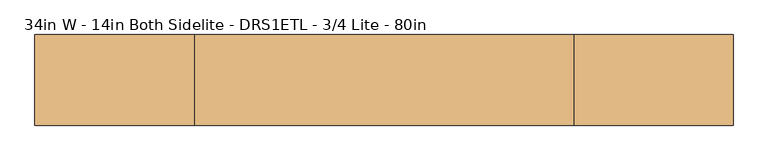
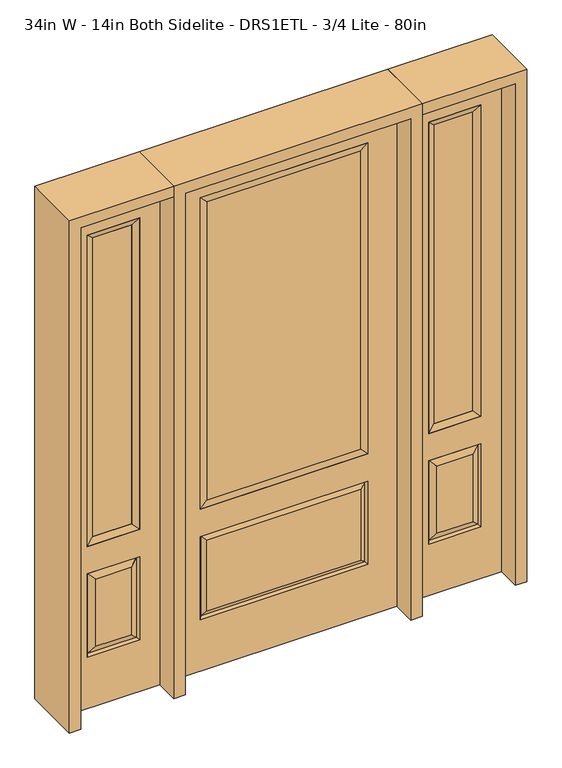
"""IFC4 building model written with IfcOpenShell, lengths in millimetres: door geometry, 34in W - 14in Both Sidelite - DRS1ETL - 3/4 Lite - 80in."""

from ifc_helpers import new_model, si_unit, frame, origin, place, context, project, spatial, polyline, outline, extrude, faceted_brep, source, transform, mapped, element, save


def door_34in_w_14in_both_sidelite_drs1etl_3_4_lite_80in_e0d79a2d(model_context):
    return source(origin(), model_context, "Body", "SolidModel", [
        faceted_brep([(476.25, -22.225, 0.0), (831.85, -22.225, 0.0), (831.85, -22.225, 2032.0), (476.25, -22.225, 2032.0), (754.38, -22.225, 1919.224), (754.38, -22.225, 657.098), (553.72, -22.225, 657.098), (553.72, -22.225, 1919.224), (754.38, -22.225, 209.55), (553.72, -22.225, 209.55), (553.72, -22.225, 546.1), (754.38, -22.225, 546.1), (585.4351001, -22.225, 241.2651001), (722.6648999, -22.225, 241.2651001), (722.6648999, -22.225, 514.3848999), (585.4351001, -22.225, 514.3848999), (476.25, 22.225, 0.0), (476.25, 22.225, 2032.0), (831.85, 22.225, 2032.0), (831.85, 22.225, 0.0), (754.38, 22.225, 1919.224), (553.72, 22.225, 1919.224), (553.72, 22.225, 657.098), (754.38, 22.225, 657.098), (553.72, 22.225, 209.55), (754.38, 22.225, 209.55), (754.38, 22.225, 546.1), (553.72, 22.225, 546.1), (722.6648999, 22.225, 241.2651001), (585.4351001, 22.225, 241.2651001), (585.4351001, 22.225, 514.3848999), (722.6648999, 22.225, 514.3848999), (747.2711499, 12.7912373, 216.6588501), (560.8288501, 12.7912373, 216.6588501), (560.8288501, 12.7912373, 538.9911499), (747.2711499, 12.7912373, 538.9911499), (560.8288501, -12.7912373, 216.6588501), (747.2711499, -12.7912373, 216.6588501), (560.8288501, -12.7912373, 538.9911499), (747.2711499, -12.7912373, 538.9911499)], [[[0, 1, 2, 3], [4, 5, 6, 7], [8, 9, 10, 11]], [[12, 13, 14, 15]], [[16, 17, 18, 19], [20, 21, 22, 23], [24, 25, 26, 27]], [[28, 29, 30, 31]], [[1, 0, 16, 19]], [[2, 1, 19, 18]], [[3, 2, 18, 17]], [[0, 3, 17, 16]], [[5, 4, 20, 23]], [[6, 5, 23, 22]], [[7, 6, 22, 21]], [[4, 7, 21, 20]], [[32, 33, 29, 28]], [[33, 32, 25, 24]], [[29, 33, 34, 30]], [[33, 24, 27, 34]], [[30, 34, 35, 31]], [[34, 27, 26, 35]], [[32, 28, 31, 35]], [[25, 32, 35, 26]], [[12, 36, 37, 13]], [[37, 36, 9, 8]], [[36, 12, 15, 38]], [[9, 36, 38, 10]], [[38, 15, 14, 39]], [[10, 38, 39, 11]], [[13, 37, 39, 14]], [[37, 8, 11, 39]]]),
        faceted_brep([(553.72, 22.225, 1919.224), (553.72, -22.225, 1919.224), (754.38, -22.225, 1919.224), (754.38, 22.225, 1919.224), (579.12, 12.7, 1893.824), (728.98, 12.7, 1893.824), (579.12, -12.7, 1893.824), (728.98, -12.7, 1893.824), (754.38, -22.225, 657.098), (754.38, 22.225, 657.098), (728.98, 12.7, 682.498), (728.98, -12.7, 682.498), (553.72, -22.225, 657.098), (553.72, 22.225, 657.098), (579.12, 12.7, 682.498), (579.12, -12.7, 682.498)], [[[0, 1, 2, 3]], [[4, 0, 3, 5]], [[6, 4, 5, 7]], [[1, 6, 7, 2]], [[3, 2, 8, 9]], [[5, 3, 9, 10]], [[7, 5, 10, 11]], [[2, 7, 11, 8]], [[9, 8, 12, 13]], [[10, 9, 13, 14]], [[11, 10, 14, 15]], [[8, 11, 15, 12]], [[13, 12, 1, 0]], [[14, 13, 0, 4]], [[15, 14, 4, 6]], [[12, 15, 6, 1]]]),
        extrude(outline(polyline([(728.98, -12.7), (579.12, -12.7), (579.12, 12.7), (728.98, 12.7), (728.98, -12.7)])), frame((0.0, 0.0, 682.498), z_axis=(0.0, 0.0, 1.0), x_axis=(1.0, 0.0, 0.0)), (0.0, 0.0, 1.0), 1211.326),
        faceted_brep([(-831.85, -22.225, 0.0), (-476.25, -22.225, 0.0), (-476.25, -22.225, 2032.0), (-831.85, -22.225, 2032.0), (-553.72, -22.225, 1919.224), (-553.72, -22.225, 657.098), (-754.38, -22.225, 657.098), (-754.38, -22.225, 1919.224), (-553.72, -22.225, 209.55), (-754.38, -22.225, 209.55), (-754.38, -22.225, 546.1), (-553.72, -22.225, 546.1), (-722.6648999, -22.225, 241.2651001), (-585.4351001, -22.225, 241.2651001), (-585.4351001, -22.225, 514.3848999), (-722.6648999, -22.225, 514.3848999), (-831.85, 22.225, 0.0), (-831.85, 22.225, 2032.0), (-476.25, 22.225, 2032.0), (-476.25, 22.225, 0.0), (-553.72, 22.225, 1919.224), (-754.38, 22.225, 1919.224), (-754.38, 22.225, 657.098), (-553.72, 22.225, 657.098), (-754.38, 22.225, 209.55), (-553.72, 22.225, 209.55), (-553.72, 22.225, 546.1), (-754.38, 22.225, 546.1), (-585.4351001, 22.225, 241.2651001), (-722.6648999, 22.225, 241.2651001), (-722.6648999, 22.225, 514.3848999), (-585.4351001, 22.225, 514.3848999), (-560.8288501, 12.7912373, 216.6588501), (-747.2711499, 12.7912373, 216.6588501), (-747.2711499, 12.7912373, 538.9911499), (-560.8288501, 12.7912373, 538.9911499), (-747.2711499, -12.7912373, 216.6588501), (-560.8288501, -12.7912373, 216.6588501), (-747.2711499, -12.7912373, 538.9911499), (-560.8288501, -12.7912373, 538.9911499)], [[[0, 1, 2, 3], [4, 5, 6, 7], [8, 9, 10, 11]], [[12, 13, 14, 15]], [[16, 17, 18, 19], [20, 21, 22, 23], [24, 25, 26, 27]], [[28, 29, 30, 31]], [[1, 0, 16, 19]], [[2, 1, 19, 18]], [[3, 2, 18, 17]], [[0, 3, 17, 16]], [[5, 4, 20, 23]], [[6, 5, 23, 22]], [[7, 6, 22, 21]], [[4, 7, 21, 20]], [[32, 33, 29, 28]], [[33, 32, 25, 24]], [[29, 33, 34, 30]], [[33, 24, 27, 34]], [[30, 34, 35, 31]], [[34, 27, 26, 35]], [[32, 28, 31, 35]], [[25, 32, 35, 26]], [[12, 36, 37, 13]], [[37, 36, 9, 8]], [[36, 12, 15, 38]], [[9, 36, 38, 10]], [[38, 15, 14, 39]], [[10, 38, 39, 11]], [[13, 37, 39, 14]], [[37, 8, 11, 39]]]),
        faceted_brep([(-754.38, 22.225, 1919.224), (-754.38, -22.225, 1919.224), (-553.72, -22.225, 1919.224), (-553.72, 22.225, 1919.224), (-728.98, 12.7, 1893.824), (-579.12, 12.7, 1893.824), (-728.98, -12.7, 1893.824), (-579.12, -12.7, 1893.824), (-553.72, -22.225, 657.098), (-553.72, 22.225, 657.098), (-579.12, 12.7, 682.498), (-579.12, -12.7, 682.498), (-754.38, -22.225, 657.098), (-754.38, 22.225, 657.098), (-728.98, 12.7, 682.498), (-728.98, -12.7, 682.498)], [[[0, 1, 2, 3]], [[4, 0, 3, 5]], [[6, 4, 5, 7]], [[1, 6, 7, 2]], [[3, 2, 8, 9]], [[5, 3, 9, 10]], [[7, 5, 10, 11]], [[2, 7, 11, 8]], [[9, 8, 12, 13]], [[10, 9, 13, 14]], [[11, 10, 14, 15]], [[8, 11, 15, 12]], [[13, 12, 1, 0]], [[14, 13, 0, 4]], [[15, 14, 4, 6]], [[12, 15, 6, 1]]]),
        extrude(outline(polyline([(-579.12, -12.7), (-728.98, -12.7), (-728.98, 12.7), (-579.12, 12.7), (-579.12, -12.7)])), frame((0.0, 0.0, 682.498), z_axis=(0.0, 0.0, 1.0), x_axis=(1.0, 0.0, 0.0)), (0.0, 0.0, 1.0), 1211.326),
        faceted_brep([(-313.5661499, -12.7912373, 216.6588501), (313.5661499, -12.7912373, 216.6588501), (296.06875, -22.225, 234.15625), (-296.06875, -22.225, 234.15625), (-320.675, -22.225, 209.55), (320.675, -22.225, 209.55), (-313.5661499, -12.7912373, 538.9911499), (-320.675, -22.225, 546.1), (296.06875, -22.225, 521.49375), (-296.06875, -22.225, 521.49375), (431.8, -22.225, 2032.0), (-431.8, -22.225, 2032.0), (-431.8, -22.225, 0.0), (431.8, -22.225, 0.0), (320.675, -22.225, 546.1), (320.675, -22.225, 1917.7), (320.675, -22.225, 657.098), (-320.675, -22.225, 657.098), (-320.675, -22.225, 1917.7), (313.5661499, -12.7912373, 538.9911499), (-431.8, 22.225, 2032.0), (-431.8, 22.225, 0.0), (431.8, 22.225, 0.0), (431.8, 22.225, 2032.0), (320.675, 22.225, 1917.7), (320.675, 22.225, 657.098), (-320.675, 22.225, 657.098), (-320.675, 22.225, 1917.7), (-320.675, 22.225, 209.55), (320.675, 22.225, 209.55), (320.675, 22.225, 546.1), (-320.675, 22.225, 546.1), (296.06875, 22.225, 234.15625), (-296.06875, 22.225, 234.15625), (-296.06875, 22.225, 521.49375), (296.06875, 22.225, 521.49375), (-313.5661499, 12.7912373, 216.6588501), (313.5661499, 12.7912373, 216.6588501), (313.5661499, 12.7912373, 538.9911499), (-313.5661499, 12.7912373, 538.9911499)], [[[0, 1, 2, 3]], [[1, 0, 4, 5]], [[4, 0, 6, 7]], [[3, 2, 8, 9]], [[10, 11, 12, 13], [5, 4, 7, 14], [15, 16, 17, 18]], [[1, 5, 14, 19]], [[2, 1, 19, 8]], [[0, 3, 9, 6]], [[7, 6, 19, 14]], [[6, 9, 8, 19]], [[12, 11, 20, 21]], [[13, 12, 21, 22]], [[10, 13, 22, 23]], [[16, 15, 24, 25]], [[17, 16, 25, 26]], [[18, 17, 26, 27]], [[23, 22, 21, 20], [28, 29, 30, 31], [24, 27, 26, 25]], [[32, 33, 34, 35]], [[28, 36, 37, 29]], [[29, 37, 38, 30]], [[39, 31, 30, 38]], [[36, 28, 31, 39]], [[37, 36, 33, 32]], [[33, 36, 39, 34]], [[34, 39, 38, 35]], [[37, 32, 35, 38]], [[11, 10, 23, 20]], [[15, 18, 27, 24]]]),
        faceted_brep([(-320.675, -22.225, 1917.7), (-320.675, 22.225, 1917.7), (-320.675, 22.225, 657.098), (-320.675, -22.225, 657.098), (320.675, 22.225, 657.098), (320.675, -22.225, 657.098), (-295.275, 5.08, 682.498), (295.275, 5.08, 682.498), (320.675, 22.225, 1917.7), (320.675, -22.225, 1917.7), (-295.275, -20.32, 682.498), (295.275, -20.32, 682.498), (-295.275, -20.32, 1892.3), (295.275, -20.32, 1892.3), (-295.275, 5.08, 1892.3), (295.275, 5.08, 1892.3)], [[[0, 1, 2, 3]], [[3, 2, 4, 5]], [[2, 6, 7, 4]], [[5, 4, 8, 9]], [[10, 3, 5, 11]], [[12, 0, 3, 10]], [[11, 5, 9, 13]], [[6, 10, 11, 7]], [[14, 12, 10, 6]], [[7, 11, 13, 15]], [[1, 14, 6, 2]], [[4, 7, 15, 8]], [[9, 8, 1, 0]], [[13, 9, 0, 12]], [[15, 13, 12, 14]], [[8, 15, 14, 1]]]),
        extrude(outline(polyline([(295.275, -20.32), (-295.275, -20.32), (-295.275, 5.08), (295.275, 5.08), (295.275, -20.32)])), frame((0.0, 0.0, 682.498), z_axis=(0.0, 0.0, 1.0), x_axis=(1.0, 0.0, 0.0)), (0.0, 0.0, 1.0), 1209.802),
        extrude(outline(polyline([(2032.0, -476.25), (2076.45, -476.25), (2076.45, -876.3), (0.0, -876.3), (0.0, -831.85), (2032.0, -831.85), (2032.0, -476.25)])), frame((0.0, -114.3, 0.0), z_axis=(0.0, 1.0, 0.0), x_axis=(0.0, 0.0, 1.0)), (0.0, 0.0, 1.0), 228.6),
        extrude(outline(polyline([(2076.45, -476.25), (0.0, -476.25), (0.0, -431.8), (2032.0, -431.8), (2032.0, 431.8), (0.0, 431.8), (0.0, 476.25), (2076.45, 476.25), (2076.45, -476.25)])), frame((0.0, -114.3, 0.0), z_axis=(0.0, 1.0, 0.0), x_axis=(0.0, 0.0, 1.0)), (0.0, 0.0, 1.0), 228.6),
        extrude(outline(polyline([(0.0, 831.85), (0.0, 876.3), (2076.45, 876.3), (2076.45, 476.25), (2032.0, 476.25), (2032.0, 831.85), (0.0, 831.85)])), frame((0.0, -114.3, 0.0), z_axis=(0.0, 1.0, 0.0), x_axis=(0.0, 0.0, 1.0)), (0.0, 0.0, 1.0), 228.6),
    ])


if __name__ == "__main__":
    model = new_model("IFC4")
    model_context = context("Model", 3, world=origin())
    ifc_project = project(units=[si_unit("LENGTHUNIT", "METRE", prefix="MILLI")], contexts=[model_context])
    site = spatial("IfcSite", under=ifc_project)
    building = spatial("IfcBuilding", under=site)
    placement = place(None, origin())
    door_34in_w_14in_both_sidelite_drs1etl_3_4_lite_80in_shape = door_34in_w_14in_both_sidelite_drs1etl_3_4_lite_80in_e0d79a2d(model_context)
    element("IfcDoor", 1, ObjectType="34in W - 14in Both Sidelite - DRS1ETL - 3/4 Lite - 80in", at=placement, inside=building, context=model_context, shape_type="MappedRepresentation", body=[
        mapped(door_34in_w_14in_both_sidelite_drs1etl_3_4_lite_80in_shape, transform((0.0, 0.0, 0.0), x_axis=(1.0, 0.0, 0.0), y_axis=(0.0, 1.0, 0.0), z_axis=(0.0, 0.0, 1.0))),
    ])
    save(model, "model.ifc")
